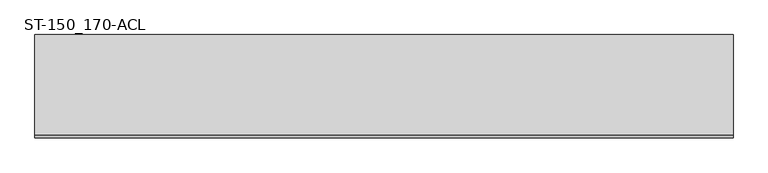
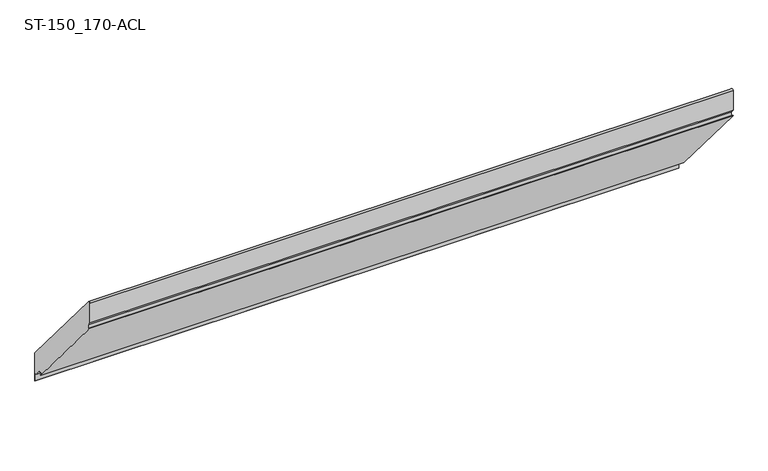
"""IFC4 building model written with IfcOpenShell, lengths in millimetres: plate geometry, ST-150_170-ACL."""

from ifc_helpers import new_model, si_unit, point, frame, frame_2d, origin, place, context, project, spatial, polyline, circle_curve, trimmed, segment, composite_curve, outline, extrude, source, transform, mapped, element, save


def st_150_170_acl_c6b9e59b(model_context):
    return source(origin(), model_context, "Body", "SweptSolid", [
        extrude(outline(composite_curve([segment(polyline([(0.0, -51.385915), (0.0, -3.0)]), True, "CONTINUOUS"), segment(trimmed(circle_curve(frame_2d((3.0, -3.0)), 3.0), [point((0.0, -3.0))], [point((5.2981333, -1.0716372))], False, "CARTESIAN"), True, "CONTINUOUS"), segment(polyline([(5.2981333, -1.0716372), (222.0, -259.3268653), (222.0, -329.3344375), (220.1, -327.0701057), (220.1, -310.1848185), (215.8188445, -308.5887983), (203.5232614, -293.9354929), (194.3854103, -293.9354929), (199.8505378, -300.4485782), (198.6248667, -301.4770384), (-0.1171197, -64.6255621), (1.1085514, -63.5971019), (7.0, -70.618257), (7.0, -59.7281902), (0.0, -51.385915)]), True, "CONTINUOUS")], self_intersect=False)), frame((-750.0, 0.0, 0.0), z_axis=(1.0, 0.0, 0.0), x_axis=(0.0, 1.0, 0.0)), (0.0, 0.0, 1.0), 1500.0),
    ])


if __name__ == "__main__":
    model = new_model("IFC4")
    model_context = context("Model", 3, world=origin())
    ifc_project = project(units=[si_unit("LENGTHUNIT", "METRE", prefix="MILLI")], contexts=[model_context])
    site = spatial("IfcSite", under=ifc_project)
    building = spatial("IfcBuilding", under=site)
    placement = place(None, origin())
    st_150_170_acl_shape = st_150_170_acl_c6b9e59b(model_context)
    element("IfcPlate", 1, ObjectType="ST-150_170-ACL", at=placement, inside=building, context=model_context, shape_type="MappedRepresentation", body=[
        mapped(st_150_170_acl_shape, transform((0.0, 0.0, 0.0), x_axis=(1.0, 0.0, 0.0), y_axis=(0.0, 1.0, 0.0), z_axis=(0.0, 0.0, 1.0))),
    ])
    save(model, "model.ifc")
